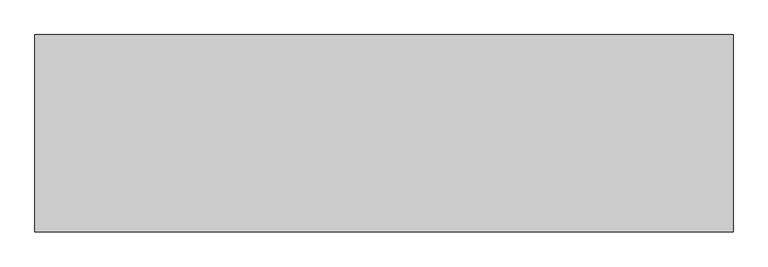
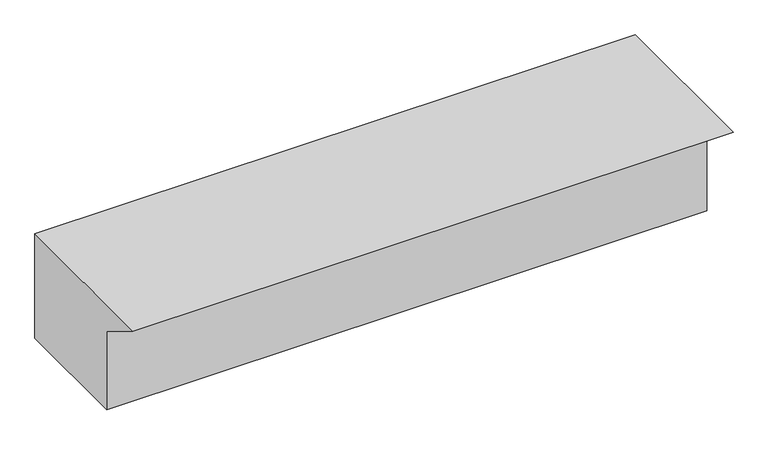
"""IFC4 building model written with IfcOpenShell, lengths in millimetres: stair geometry."""

from ifc_helpers import new_model, si_unit, frame, origin, place, context, project, spatial, polyline, outline, extrude, source, transform, mapped, element, save


def stair_ce903c23(model_context):
    return source(origin(), model_context, "Body", "SweptSolid", [
        extrude(outline(polyline([(-3451.5765383, 3178.6039913), (-3550.5432389, 3240.0), (-3182.9760521, 3240.0), (-3182.9760521, 3000.0), (-3451.5765383, 3000.0), (-3451.5765383, 3178.6039913)])), frame((1286.8631266, 0.0, 0.0), z_axis=(1.0, 0.0, 0.0), x_axis=(0.0, 1.0, 0.0)), (0.0, 0.0, 1.0), 1300.0),
    ])


if __name__ == "__main__":
    model = new_model("IFC4")
    model_context = context("Model", 3, world=origin())
    ifc_project = project(units=[si_unit("LENGTHUNIT", "METRE", prefix="MILLI")], contexts=[model_context])
    site = spatial("IfcSite", under=ifc_project)
    building = spatial("IfcBuilding", under=site)
    placement = place(None, origin())
    stair_shape = stair_ce903c23(model_context)
    element("IfcStair", 1, at=placement, inside=building, context=model_context, shape_type="MappedRepresentation", body=[
        mapped(stair_shape, transform((0.0, 0.0, 0.0), x_axis=(1.0, 0.0, 0.0), y_axis=(0.0, 1.0, 0.0), z_axis=(0.0, 0.0, 1.0))),
    ])
    save(model, "model.ifc")
